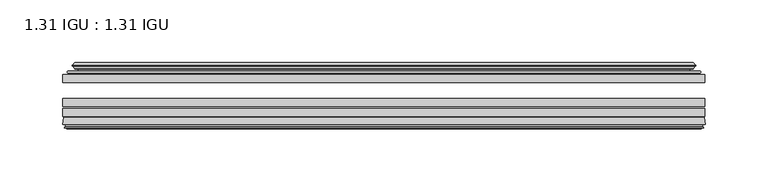
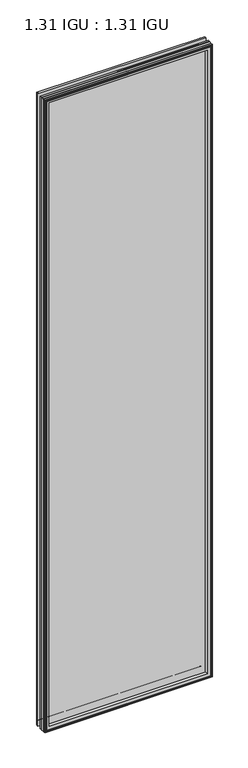
"""IFC4 building model written with IfcOpenShell, lengths in millimetres: plate geometry, 1.31 IGU : 1.31 IGU."""

from ifc_helpers import new_model, si_unit, frame, origin, place, context, project, spatial, polyline, ellipse_curve, outline, extrude, source, transform, mapped, element, save
from ifc_brep_helpers import plane_surface, cylinder_surface, revolved_surface, advanced_brep


def plate_1_31_igu_1_31_igu_6b3a8f08(model_context):
    return source(origin(), model_context, "Body", "SolidModel", [
        extrude(outline(polyline([(254.9913865, -51.7723437), (254.9913865, -58.1223438), (-255.0583333, -58.1223438), (-255.0583333, -51.7723437), (254.9913865, -51.7723437)])), frame((0.0, 0.0, -14.2875), z_axis=(0.0, 0.0, 1.0), x_axis=(1.0, 0.0, 0.0)), (0.0, 0.0, 1.0), 2025.65),
        extrude(outline(polyline([(-255.0583333, -85.4273438), (-255.0583333, -79.0773437), (254.9913865, -79.0773437), (254.9913865, -85.4273438), (-255.0583333, -85.4273438)])), frame((0.0, 0.0, -14.2875), z_axis=(0.0, 0.0, 1.0), x_axis=(1.0, 0.0, 0.0)), (0.0, 0.0, 1.0), 2025.65),
        extrude(outline(polyline([(-255.0583333, -77.1723438), (-255.0583333, -70.8223438), (254.9913865, -70.8223438), (254.9913865, -77.1723438), (-255.0583333, -77.1723438)])), frame((0.0, 0.0, -14.2875), z_axis=(0.0, 0.0, 1.0), x_axis=(1.0, 0.0, 0.0)), (0.0, 0.0, 1.0), 2025.65),
        advanced_brep(
        [(-255.0710333, -91.7773437, 2011.3752), (-254.3762495, -86.1187838, 2010.6804162), (-254.3762495, -86.1187838, -13.6054162), (-255.0710333, -91.7773437, -14.3002), (-252.6834333, -93.768408, 2008.9876), (-253.1406333, -91.7773437, 2009.4448), (-253.1406333, -91.7773437, -12.3698), (-252.6834333, -93.768408, -11.9126), (-253.6847952, -93.5000939, 2009.9889619), (-253.6847952, -93.5000939, -12.9139619), (-253.9280333, -94.407871, 2010.2322), (-253.9280333, -94.407871, -13.1572), (-251.8960333, -94.9523437, 2008.2002), (-251.8960333, -94.9523437, -11.1252), (-249.8640333, -94.407871, 2006.1682), (-249.8640333, -94.407871, -9.0932), (-250.1072715, -93.5000939, 2006.4114381), (-250.1072715, -93.5000939, -9.3364381), (-251.1086333, -93.768408, 2007.4128), (-251.1086333, -93.768408, -10.3378), (-250.6514333, -91.7773437, 2006.9556), (-250.6514333, -91.7773437, -9.8806), (-236.5818119, -85.4273437, 1992.8859786), (-240.7708333, -91.7773437, 1997.075), (-240.7708333, -91.7773437, 0.0), (-236.5818119, -85.4273437, 4.1890214), (-253.5947187, -85.4273437, 2009.8988854), (-253.5947187, -85.4273437, -12.8238854), (254.3762495, -86.1187838, -13.6054162), (255.0710333, -91.7773437, -14.3002), (253.1406333, -91.7773437, -12.3698), (252.6834333, -93.768408, -11.9126), (253.6847952, -93.5000939, -12.9139619), (253.9280333, -94.407871, -13.1572), (251.8960333, -94.9523437, -11.1252), (249.8640333, -94.407871, -9.0932), (250.1072715, -93.5000939, -9.3364381), (251.1086333, -93.768408, -10.3378), (250.6514333, -91.7773437, -9.8806), (240.7708333, -91.7773437, 0.0), (236.5818119, -85.4273437, 4.1890214), (253.5947187, -85.4273437, -12.8238854), (254.3762495, -86.1187838, 2010.6804162), (255.0710333, -91.7773437, 2011.3752), (253.1406333, -91.7773437, 2009.4448), (252.6834333, -93.768408, 2008.9876), (253.6847952, -93.5000939, 2009.9889619), (253.9280333, -94.407871, 2010.2322), (251.8960333, -94.9523437, 2008.2002), (249.8640333, -94.407871, 2006.1682), (250.1072715, -93.5000939, 2006.4114381), (251.1086333, -93.768408, 2007.4128), (250.6514333, -91.7773437, 2006.9556), (240.7708333, -91.7773437, 1997.075), (236.5818119, -85.4273437, 1992.8859786), (253.5947187, -85.4273437, 2009.8988854)],
        [
            (0, 1),
            (1, 2),
            (2, 3),
            (3, 0),
            (4, 5),
            (5, 6),
            (6, 7),
            (7, 4),
            (8, 4),
            (7, 9),
            (9, 8),
            (10, 8),
            (9, 11),
            (11, 10),
            (12, 10),
            (11, 13),
            (13, 12),
            (14, 12),
            (13, 15),
            (15, 14),
            (16, 14),
            (15, 17),
            (17, 16),
            (18, 16),
            (17, 19),
            (19, 18),
            (20, 18),
            (19, 21),
            (21, 20),
            (22, 23, ellipse_curve(frame((-233.7869394, -91.8278132, 1990.091106), z_axis=(0.7071067811865475, 0.0, 0.7071067811865475), x_axis=(0.7071067811865474, 0.0, -0.7071067811865476)), 9.8769754, 6.9840763)),
            (23, 24),
            (24, 25, ellipse_curve(frame((-233.7869394, -91.8278132, 6.983894), z_axis=(0.7071067811865475, 0.0, -0.7071067811865475), x_axis=(-0.7071067811865474, 0.0, -0.7071067811865476)), 9.8769754, 6.9840763)),
            (25, 22),
            (1, 26, ellipse_curve(frame((-253.5947187, -86.2147437, 2009.8988854), z_axis=(-0.7071067811865475, 0.0, -0.7071067811865475), x_axis=(-0.7071067811865474, 0.0, 0.7071067811865476)), 1.1135518, 0.7874)),
            (26, 27),
            (27, 2, ellipse_curve(frame((-253.5947187, -86.2147437, -12.8238854), z_axis=(-0.7071067811865475, 0.0, 0.7071067811865475), x_axis=(0.7071067811865474, 0.0, 0.7071067811865476)), 1.1135518, 0.7874)),
            (2, 28),
            (28, 29),
            (29, 3),
            (6, 30),
            (30, 31),
            (31, 7),
            (31, 32),
            (32, 9),
            (32, 33),
            (33, 11),
            (33, 34),
            (34, 13),
            (34, 35),
            (35, 15),
            (35, 36),
            (36, 17),
            (36, 37),
            (37, 19),
            (37, 38),
            (38, 21),
            (24, 39),
            (39, 40, ellipse_curve(frame((233.7869394, -91.8278132, 6.983894), z_axis=(0.7071067811865475, 0.0, 0.7071067811865475), x_axis=(0.7071067811865476, 0.0, -0.7071067811865474)), 9.8769754, 6.9840763)),
            (40, 25),
            (27, 41),
            (41, 28, ellipse_curve(frame((253.5947187, -86.2147437, -12.8238854), z_axis=(-0.7071067811865475, 0.0, -0.7071067811865475), x_axis=(-0.7071067811865476, 0.0, 0.7071067811865474)), 1.1135518, 0.7874)),
            (28, 42),
            (42, 43),
            (43, 29),
            (30, 44),
            (44, 45),
            (45, 31),
            (45, 46),
            (46, 32),
            (46, 47),
            (47, 33),
            (47, 48),
            (48, 34),
            (48, 49),
            (49, 35),
            (49, 50),
            (50, 36),
            (50, 51),
            (51, 37),
            (51, 52),
            (52, 38),
            (39, 53),
            (53, 54, ellipse_curve(frame((233.7869394, -91.8278132, 1990.091106), z_axis=(-0.7071067811865475, 0.0, 0.7071067811865475), x_axis=(0.7071067811865474, 0.0, 0.7071067811865476)), 9.8769754, 6.9840763)),
            (54, 40),
            (41, 55),
            (55, 42, ellipse_curve(frame((253.5947187, -86.2147437, 2009.8988854), z_axis=(0.7071067811865475, 0.0, -0.7071067811865475), x_axis=(-0.7071067811865474, 0.0, -0.7071067811865476)), 1.1135518, 0.7874)),
            (42, 1),
            (0, 43),
            (5, 44),
            (4, 45),
            (8, 46),
            (10, 47),
            (12, 48),
            (14, 49),
            (16, 50),
            (18, 51),
            (20, 52),
            (23, 53),
            (22, 54),
            (26, 55),
        ],
        [
            plane_surface(frame((-254.3762495, -86.1187838, 2010.6804162), z_axis=(-0.9925461516413241, 0.12186934340513104, 0.0), x_axis=(0.0, 0.0, -1.0))),
            plane_surface(frame((-253.1406333, -91.7773437, 2009.4448), z_axis=(-0.9746347637895992, -0.22380142361654512, 0.0), x_axis=(0.0, 0.0, -1.0))),
            plane_surface(frame((-252.6834333, -93.768408, 2008.9876), z_axis=(0.25881904510266784, 0.9659258262890289, 0.0), x_axis=(0.0, 0.0, -1.0))),
            plane_surface(frame((-253.6847952, -93.5000939, 2009.9889619), z_axis=(-0.9659258262890449, 0.2588190451026083, 0.0), x_axis=(0.0, 0.0, -1.0))),
            plane_surface(frame((-253.9280333, -94.407871, 2010.2322), z_axis=(-0.25881904510250453, -0.9659258262890726, 0.0), x_axis=(0.0, 0.0, -1.0))),
            plane_surface(frame((-251.8960333, -94.9523437, 2008.2002), z_axis=(0.258819045102479, -0.9659258262890795, 0.0), x_axis=(0.0, 0.0, -1.0))),
            plane_surface(frame((-249.8640333, -94.407871, 2006.1682), z_axis=(0.9659258262890272, 0.25881904510267406, 0.0), x_axis=(0.0, 0.0, -1.0))),
            plane_surface(frame((-250.1072715, -93.5000939, 2006.4114381), z_axis=(-0.25881904510234177, 0.9659258262891163, 0.0), x_axis=(0.0, 0.0, -1.0))),
            plane_surface(frame((-251.1086333, -93.768408, 2007.4128), z_axis=(0.9746347637895936, -0.22380142361656946, 0.0), x_axis=(0.0, 0.0, -1.0))),
            revolved_surface(polyline([(-240.7710157, -91.8278132, -0.00018228295266453642), (-240.7710157, -91.8278132, 1997.0751822829527)]), (-233.7869394, -91.8278132, 2028.825), (0.0, 0.0, -1.0)),
            cylinder_surface(frame((-253.5947187, -86.2147437, 2028.825), z_axis=(0.0, 0.0, 1.0), x_axis=(-1.0, 0.0, 0.0)), 0.7874),
            plane_surface(frame((-254.3762495, -86.1187838, -13.6054162), z_axis=(0.0, 0.12186934340512784, -0.9925461516413245), x_axis=(1.0, 0.0, 0.0))),
            plane_surface(frame((-253.1406333, -91.7773437, -12.3698), z_axis=(0.0, -0.22380142361654826, -0.9746347637895985), x_axis=(1.0, 0.0, 0.0))),
            plane_surface(frame((-252.6834333, -93.768408, -11.9126), z_axis=(0.0, 0.9659258262890298, 0.25881904510266474), x_axis=(1.0, 0.0, 0.0))),
            plane_surface(frame((-253.6847952, -93.5000939, -12.9139619), z_axis=(0.0, 0.25881904510260517, -0.9659258262890458), x_axis=(1.0, 0.0, 0.0))),
            plane_surface(frame((-253.9280333, -94.407871, -13.1572), z_axis=(0.0, -0.9659258262890735, -0.2588190451025014), x_axis=(1.0, 0.0, 0.0))),
            plane_surface(frame((-251.8960333, -94.9523437, -11.1252), z_axis=(0.0, -0.9659258262890786, 0.2588190451024821), x_axis=(1.0, 0.0, 0.0))),
            plane_surface(frame((-249.8640333, -94.407871, -9.0932), z_axis=(0.0, 0.2588190451026772, 0.9659258262890265), x_axis=(1.0, 0.0, 0.0))),
            plane_surface(frame((-250.1072715, -93.5000939, -9.3364381), z_axis=(0.0, 0.9659258262891154, -0.2588190451023449), x_axis=(1.0, 0.0, 0.0))),
            plane_surface(frame((-251.1086333, -93.768408, -10.3378), z_axis=(0.0, -0.22380142361656633, 0.9746347637895943), x_axis=(1.0, 0.0, 0.0))),
            revolved_surface(polyline([(240.77101568295274, -91.8278132, -0.00018229999999963553), (-240.7710156829527, -91.8278132, -0.00018229999999963553)]), (-272.5208333, -91.8278132, 6.983894), (1.0, 0.0, 0.0)),
            cylinder_surface(frame((-272.5208333, -86.2147437, -12.8238854), z_axis=(-1.0, 0.0, 0.0), x_axis=(0.0, 0.0, -1.0)), 0.7874),
            plane_surface(frame((254.3762495, -86.1187838, -13.6054162), z_axis=(0.992546151641325, 0.12186934340512463, 0.0), x_axis=(0.0, 0.0, 1.0))),
            plane_surface(frame((253.1406333, -91.7773437, -12.3698), z_axis=(0.9746347637895978, -0.22380142361655142, 0.0), x_axis=(0.0, 0.0, 1.0))),
            plane_surface(frame((252.6834333, -93.768408, -11.9126), z_axis=(-0.2588190451026616, 0.9659258262890307, 0.0), x_axis=(0.0, 0.0, 1.0))),
            plane_surface(frame((253.6847952, -93.5000939, -12.9139619), z_axis=(0.9659258262890467, 0.25881904510260206, 0.0), x_axis=(0.0, 0.0, 1.0))),
            plane_surface(frame((253.9280333, -94.407871, -13.1572), z_axis=(0.2588190451024983, -0.9659258262890744, 0.0), x_axis=(0.0, 0.0, 1.0))),
            plane_surface(frame((251.8960333, -94.9523437, -11.1252), z_axis=(-0.25881904510248527, -0.9659258262890779, 0.0), x_axis=(0.0, 0.0, 1.0))),
            plane_surface(frame((249.8640333, -94.407871, -9.0932), z_axis=(-0.9659258262890256, 0.25881904510268033, 0.0), x_axis=(0.0, 0.0, 1.0))),
            plane_surface(frame((250.1072715, -93.5000939, -9.3364381), z_axis=(0.25881904510234804, 0.9659258262891146, 0.0), x_axis=(0.0, 0.0, 1.0))),
            plane_surface(frame((251.1086333, -93.768408, -10.3378), z_axis=(-0.9746347637895951, -0.2238014236165632, 0.0), x_axis=(0.0, 0.0, 1.0))),
            revolved_surface(polyline([(240.7710157, -91.8278132, 1997.0751822829527), (240.7710157, -91.8278132, -0.0001822829527107217)]), (233.7869394, -91.8278132, -31.75), (0.0, 0.0, 1.0)),
            cylinder_surface(frame((253.5947187, -86.2147437, -31.75), z_axis=(0.0, 0.0, -1.0), x_axis=(1.0, 0.0, 0.0)), 0.7874),
            plane_surface(frame((254.3762495, -86.1187838, 2010.6804162), z_axis=(0.0, 0.12186934340512784, 0.9925461516413245), x_axis=(-1.0, 0.0, 0.0))),
            plane_surface(frame((255.0710333, -91.7773437, 2011.3752), z_axis=(0.0, -1.0, 0.0), x_axis=(-1.0, 0.0, 0.0))),
            plane_surface(frame((253.1406333, -91.7773437, 2009.4448), z_axis=(0.0, -0.22380142361654828, 0.9746347637895986), x_axis=(-1.0, 0.0, 0.0))),
            plane_surface(frame((252.6834333, -93.768408, 2008.9876), z_axis=(0.0, 0.9659258262890298, -0.25881904510266474), x_axis=(-1.0, 0.0, 0.0))),
            plane_surface(frame((253.6847952, -93.5000939, 2009.9889619), z_axis=(0.0, 0.25881904510260517, 0.9659258262890458), x_axis=(-1.0, 0.0, 0.0))),
            plane_surface(frame((253.9280333, -94.407871, 2010.2322), z_axis=(0.0, -0.9659258262890735, 0.2588190451025014), x_axis=(-1.0, 0.0, 0.0))),
            plane_surface(frame((251.8960333, -94.9523437, 2008.2002), z_axis=(0.0, -0.9659258262890787, -0.25881904510248216), x_axis=(-1.0, 0.0, 0.0))),
            plane_surface(frame((249.8640333, -94.407871, 2006.1682), z_axis=(0.0, 0.2588190451026772, -0.9659258262890265), x_axis=(-1.0, 0.0, 0.0))),
            plane_surface(frame((250.1072715, -93.5000939, 2006.4114381), z_axis=(0.0, 0.9659258262891155, 0.25881904510234494), x_axis=(-1.0, 0.0, 0.0))),
            plane_surface(frame((251.1086333, -93.768408, 2007.4128), z_axis=(0.0, -0.22380142361656633, -0.9746347637895943), x_axis=(-1.0, 0.0, 0.0))),
            plane_surface(frame((250.6514333, -91.7773437, 2006.9556), z_axis=(0.0, -1.0, 0.0), x_axis=(-1.0, 0.0, 0.0))),
            revolved_surface(polyline([(-240.77101568295274, -91.8278132, 1997.0751823), (240.7710156829527, -91.8278132, 1997.0751823)]), (272.5208333, -91.8278132, 1990.091106), (-1.0, 0.0, 0.0)),
            plane_surface(frame((236.5818119, -85.4273437, 1992.8859786), z_axis=(0.0, 1.0, 0.0), x_axis=(-1.0, 0.0, 0.0))),
            cylinder_surface(frame((272.5208333, -86.2147437, 2009.8988854), z_axis=(1.0, 0.0, 0.0), x_axis=(0.0, 0.0, 1.0)), 0.7874),
        ],
        [
            (0, [[1, 2, 3, 4]]),
            (1, [[5, 6, 7, 8]]),
            (2, [[9, -8, 10, 11]]),
            (3, [[12, -11, 13, 14]]),
            (4, [[15, -14, 16, 17]]),
            (5, [[18, -17, 19, 20]]),
            (6, [[21, -20, 22, 23]]),
            (7, [[24, -23, 25, 26]]),
            (8, [[27, -26, 28, 29]]),
            (9, [[30, 31, 32, 33]]),
            (10, [[34, 35, 36, -2]]),
            (11, [[-3, 37, 38, 39]]),
            (12, [[-7, 40, 41, 42]]),
            (13, [[-10, -42, 43, 44]]),
            (14, [[-13, -44, 45, 46]]),
            (15, [[-16, -46, 47, 48]]),
            (16, [[-19, -48, 49, 50]]),
            (17, [[-22, -50, 51, 52]]),
            (18, [[-25, -52, 53, 54]]),
            (19, [[-28, -54, 55, 56]]),
            (20, [[-32, 57, 58, 59]]),
            (21, [[-36, 60, 61, -37]]),
            (22, [[-38, 62, 63, 64]]),
            (23, [[-41, 65, 66, 67]]),
            (24, [[-43, -67, 68, 69]]),
            (25, [[-45, -69, 70, 71]]),
            (26, [[-47, -71, 72, 73]]),
            (27, [[-49, -73, 74, 75]]),
            (28, [[-51, -75, 76, 77]]),
            (29, [[-53, -77, 78, 79]]),
            (30, [[-55, -79, 80, 81]]),
            (31, [[-58, 82, 83, 84]]),
            (32, [[-61, 85, 86, -62]]),
            (33, [[-63, 87, -1, 88]]),
            (34, [[-39, -64, -88, -4], [89, -65, -40, -6]]),
            (35, [[-66, -89, -5, 90]]),
            (36, [[-68, -90, -9, 91]]),
            (37, [[-70, -91, -12, 92]]),
            (38, [[-72, -92, -15, 93]]),
            (39, [[-74, -93, -18, 94]]),
            (40, [[-76, -94, -21, 95]]),
            (41, [[-78, -95, -24, 96]]),
            (42, [[-80, -96, -27, 97]]),
            (43, [[-56, -81, -97, -29], [98, -82, -57, -31]]),
            (44, [[-83, -98, -30, 99]]),
            (45, [[100, -85, -60, -35], [-59, -84, -99, -33]]),
            (46, [[-86, -100, -34, -87]]),
        ],
    ),
        advanced_brep(
        [(-236.7231235, -50.6812421, 1993.0272902), (-237.1649337, -51.7723437, 1993.4691004), (-237.1649337, -51.7723437, 3.6058996), (-236.7231235, -50.6812421, 4.0477098), (-240.7708333, -42.9585437, 1997.075), (-240.7708333, -42.9585437, 0.0), (-245.9567442, -44.1396428, 2002.2609109), (-245.9567442, -44.1396428, -5.1859109), (-245.6271689, -43.3125262, 2001.9313356), (-245.6271689, -43.3125262, -4.8563356), (-245.6271689, -42.4982749, 2001.9313356), (-245.6271689, -42.4982749, -4.8563356), (-247.4434444, -44.4569108, 2003.7476111), (-247.4434444, -44.4569108, -6.6726111), (-247.4434444, -45.1700367, 2003.7476111), (-247.4434444, -45.1700367, -6.6726111), (-245.6271689, -47.1188911, 2001.9313356), (-245.6271689, -47.1188911, -4.8563356), (-245.6271689, -46.3144213, 2001.9313356), (-245.6271689, -46.3144213, -4.8563356), (-245.9490834, -45.5065305, 2002.2532501), (-245.9490834, -45.5065305, -5.1782501), (-243.4252712, -45.3481387, 1999.7294379), (-243.4252712, -45.3481387, -2.6544379), (-242.399455, -46.0358481, 1998.7036217), (-242.399455, -46.0358481, -1.6286217), (-242.5178622, -47.4303169, 1998.8220288), (-242.5178622, -47.4303169, -1.7470288), (-243.1196081, -48.9275437, 1999.4237748), (-243.1196081, -48.9275437, -2.3487748), (-251.0453887, -50.8359667, 2007.3495553), (-250.5597578, -48.9275437, 2006.8639245), (-250.5597578, -48.9275437, -9.7889245), (-251.0453887, -50.8359667, -10.2745553), (-249.3246488, -51.7723437, 2005.6288155), (-249.3246488, -51.7723437, -8.5538155), (237.1649337, -51.7723437, 3.6058996), (236.7231235, -50.6812421, 4.0477098), (240.7708333, -42.9585437, 0.0), (245.9567442, -44.1396428, -5.1859109), (245.6271689, -43.3125262, -4.8563356), (245.6271689, -42.4982749, -4.8563356), (247.4434444, -44.4569108, -6.6726111), (247.4434444, -45.1700367, -6.6726111), (245.6271689, -47.1188911, -4.8563356), (245.6271689, -46.3144213, -4.8563356), (245.9490834, -45.5065305, -5.1782501), (243.4252712, -45.3481387, -2.6544379), (242.399455, -46.0358481, -1.6286217), (242.5178622, -47.4303169, -1.7470288), (243.1196081, -48.9275437, -2.3487748), (250.5597578, -48.9275437, -9.7889245), (251.0453887, -50.8359667, -10.2745553), (249.3246488, -51.7723437, -8.5538155), (237.1649337, -51.7723437, 1993.4691004), (236.7231235, -50.6812421, 1993.0272902), (240.7708333, -42.9585437, 1997.075), (245.9567442, -44.1396428, 2002.2609109), (245.6271689, -43.3125262, 2001.9313356), (245.6271689, -42.4982749, 2001.9313356), (247.4434444, -44.4569108, 2003.7476111), (247.4434444, -45.1700367, 2003.7476111), (245.6271689, -47.1188911, 2001.9313356), (245.6271689, -46.3144213, 2001.9313356), (245.9490834, -45.5065305, 2002.2532501), (243.4252712, -45.3481387, 1999.7294379), (242.399455, -46.0358481, 1998.7036217), (242.5178622, -47.4303169, 1998.8220288), (243.1196081, -48.9275437, 1999.4237748), (250.5597578, -48.9275437, 2006.8639245), (251.0453887, -50.8359667, 2007.3495553), (249.3246488, -51.7723437, 2005.6288155)],
        [
            (0, 1, ellipse_curve(frame((-237.1649337, -51.1373437, 1993.4691004), z_axis=(-0.7071067811865475, 0.0, -0.7071067811865475), x_axis=(-0.7071067811865474, 0.0, 0.7071067811865476)), 0.8980256, 0.635)),
            (1, 2),
            (2, 3, ellipse_curve(frame((-237.1649337, -51.1373437, 3.6058996), z_axis=(-0.7071067811865475, 0.0, 0.7071067811865475), x_axis=(0.7071067811865474, 0.0, 0.7071067811865476)), 0.8980256, 0.635)),
            (3, 0),
            (4, 0, ellipse_curve(frame((-227.0380387, -40.6828682, 1983.3422054), z_axis=(0.7071067811865475, 0.0, 0.7071067811865475), x_axis=(0.7071067811865474, 0.0, -0.7071067811865476)), 19.6859517, 13.9200699)),
            (3, 5, ellipse_curve(frame((-227.0380387, -40.6828682, 13.7327946), z_axis=(0.7071067811865475, 0.0, -0.7071067811865475), x_axis=(-0.7071067811865474, 0.0, -0.7071067811865476)), 19.6859517, 13.9200699)),
            (5, 4),
            (6, 4),
            (5, 7),
            (7, 6),
            (8, 6),
            (7, 9),
            (9, 8),
            (10, 8),
            (9, 11),
            (11, 10),
            (12, 10),
            (11, 13),
            (13, 12),
            (14, 12, ellipse_curve(frame((-247.0816062, -44.8134737, 2003.3857729), z_axis=(-0.7071067811865475, 0.0, -0.7071067811865475), x_axis=(-0.7071067811865474, 0.0, 0.7071067811865476)), 0.7184205, 0.508)),
            (13, 15, ellipse_curve(frame((-247.0816062, -44.8134737, -6.3107729), z_axis=(-0.7071067811865475, 0.0, 0.7071067811865475), x_axis=(0.7071067811865474, 0.0, 0.7071067811865476)), 0.7184205, 0.508)),
            (15, 14),
            (16, 14),
            (15, 17),
            (17, 16),
            (18, 16),
            (17, 19),
            (19, 18),
            (20, 18),
            (19, 21),
            (21, 20),
            (22, 20),
            (21, 23),
            (23, 22),
            (24, 22, ellipse_curve(frame((-243.3616333, -46.3621437, 1999.6658), z_axis=(0.7071067811865475, 0.0, 0.7071067811865475), x_axis=(0.7071067811865474, 0.0, -0.7071067811865476)), 1.436841, 1.016)),
            (23, 25, ellipse_curve(frame((-243.3616333, -46.3621437, -2.5908), z_axis=(0.7071067811865475, 0.0, -0.7071067811865475), x_axis=(-0.7071067811865474, 0.0, -0.7071067811865476)), 1.436841, 1.016)),
            (25, 24),
            (26, 24, ellipse_curve(frame((-244.7332333, -46.5399437, 2001.0374), z_axis=(0.7071067811865475, 0.0, 0.7071067811865475), x_axis=(0.7071067811865474, 0.0, -0.7071067811865476)), 3.3765763, 2.3876)),
            (25, 27, ellipse_curve(frame((-244.7332333, -46.5399437, -3.9624), z_axis=(0.7071067811865475, 0.0, -0.7071067811865475), x_axis=(-0.7071067811865474, 0.0, -0.7071067811865476)), 3.3765763, 2.3876)),
            (27, 26),
            (28, 26),
            (27, 29),
            (29, 28),
            (30, 31, ellipse_curve(frame((-250.5597578, -49.9435437, 2006.8639245), z_axis=(-0.7071067811865475, 0.0, -0.7071067811865475), x_axis=(-0.7071067811865474, 0.0, 0.7071067811865476)), 1.436841, 1.016)),
            (31, 32),
            (32, 33, ellipse_curve(frame((-250.5597578, -49.9435437, -9.7889245), z_axis=(-0.7071067811865475, 0.0, 0.7071067811865475), x_axis=(0.7071067811865474, 0.0, 0.7071067811865476)), 1.436841, 1.016)),
            (33, 30),
            (34, 30),
            (33, 35),
            (35, 34),
            (2, 36),
            (36, 37, ellipse_curve(frame((237.1649337, -51.1373437, 3.6058996), z_axis=(-0.7071067811865475, 0.0, -0.7071067811865475), x_axis=(-0.7071067811865476, 0.0, 0.7071067811865474)), 0.8980256, 0.635)),
            (37, 3),
            (37, 38, ellipse_curve(frame((227.0380387, -40.6828682, 13.7327946), z_axis=(0.7071067811865475, 0.0, 0.7071067811865475), x_axis=(0.7071067811865476, 0.0, -0.7071067811865474)), 19.6859517, 13.9200699)),
            (38, 5),
            (38, 39),
            (39, 7),
            (39, 40),
            (40, 9),
            (40, 41),
            (41, 11),
            (41, 42),
            (42, 13),
            (42, 43, ellipse_curve(frame((247.0816062, -44.8134737, -6.3107729), z_axis=(-0.7071067811865475, 0.0, -0.7071067811865475), x_axis=(-0.7071067811865476, 0.0, 0.7071067811865474)), 0.7184205, 0.508)),
            (43, 15),
            (43, 44),
            (44, 17),
            (44, 45),
            (45, 19),
            (45, 46),
            (46, 21),
            (46, 47),
            (47, 23),
            (47, 48, ellipse_curve(frame((243.3616333, -46.3621437, -2.5908), z_axis=(0.7071067811865475, 0.0, 0.7071067811865475), x_axis=(0.7071067811865476, 0.0, -0.7071067811865474)), 1.436841, 1.016)),
            (48, 25),
            (48, 49, ellipse_curve(frame((244.7332333, -46.5399437, -3.9624), z_axis=(0.7071067811865475, 0.0, 0.7071067811865475), x_axis=(0.7071067811865476, 0.0, -0.7071067811865474)), 3.3765763, 2.3876)),
            (49, 27),
            (49, 50),
            (50, 29),
            (32, 51),
            (51, 52, ellipse_curve(frame((250.5597578, -49.9435437, -9.7889245), z_axis=(-0.7071067811865475, 0.0, -0.7071067811865475), x_axis=(-0.7071067811865476, 0.0, 0.7071067811865474)), 1.436841, 1.016)),
            (52, 33),
            (52, 53),
            (53, 35),
            (36, 54),
            (54, 55, ellipse_curve(frame((237.1649337, -51.1373437, 1993.4691004), z_axis=(0.7071067811865475, 0.0, -0.7071067811865475), x_axis=(-0.7071067811865474, 0.0, -0.7071067811865476)), 0.8980256, 0.635)),
            (55, 37),
            (55, 56, ellipse_curve(frame((227.0380387, -40.6828682, 1983.3422054), z_axis=(-0.7071067811865475, 0.0, 0.7071067811865475), x_axis=(0.7071067811865474, 0.0, 0.7071067811865476)), 19.6859517, 13.9200699)),
            (56, 38),
            (56, 57),
            (57, 39),
            (57, 58),
            (58, 40),
            (58, 59),
            (59, 41),
            (59, 60),
            (60, 42),
            (60, 61, ellipse_curve(frame((247.0816062, -44.8134737, 2003.3857729), z_axis=(0.7071067811865475, 0.0, -0.7071067811865475), x_axis=(-0.7071067811865474, 0.0, -0.7071067811865476)), 0.7184205, 0.508)),
            (61, 43),
            (61, 62),
            (62, 44),
            (62, 63),
            (63, 45),
            (63, 64),
            (64, 46),
            (64, 65),
            (65, 47),
            (65, 66, ellipse_curve(frame((243.3616333, -46.3621437, 1999.6658), z_axis=(-0.7071067811865475, 0.0, 0.7071067811865475), x_axis=(0.7071067811865474, 0.0, 0.7071067811865476)), 1.436841, 1.016)),
            (66, 48),
            (66, 67, ellipse_curve(frame((244.7332333, -46.5399437, 2001.0374), z_axis=(-0.7071067811865475, 0.0, 0.7071067811865475), x_axis=(0.7071067811865474, 0.0, 0.7071067811865476)), 3.3765763, 2.3876)),
            (67, 49),
            (67, 68),
            (68, 50),
            (51, 69),
            (69, 70, ellipse_curve(frame((250.5597578, -49.9435437, 2006.8639245), z_axis=(0.7071067811865475, 0.0, -0.7071067811865475), x_axis=(-0.7071067811865474, 0.0, -0.7071067811865476)), 1.436841, 1.016)),
            (70, 52),
            (70, 71),
            (71, 53),
            (54, 1),
            (0, 55),
            (4, 56),
            (6, 57),
            (8, 58),
            (10, 59),
            (12, 60),
            (14, 61),
            (16, 62),
            (18, 63),
            (20, 64),
            (22, 65),
            (24, 66),
            (26, 67),
            (28, 68),
            (31, 69),
            (30, 70),
            (34, 71),
        ],
        [
            cylinder_surface(frame((-237.1649337, -51.1373437, 2028.825), z_axis=(0.0, 0.0, 1.0), x_axis=(-1.0, 0.0, 0.0)), 0.635),
            revolved_surface(polyline([(-240.95810859999997, -40.6828682, -0.18727534118079348), (-240.95810859999997, -40.6828682, 1997.2622753411808)]), (-227.0380387, -40.6828682, 2028.825), (0.0, 0.0, -1.0)),
            plane_surface(frame((-240.7708333, -42.9585437, 1997.075), z_axis=(-0.22206498442778808, 0.9750318675259215, 0.0), x_axis=(0.0, 0.0, -1.0))),
            plane_surface(frame((-245.9567442, -44.1396428, 2002.2609109), z_axis=(0.9289682685629942, -0.3701593656833133, 0.0), x_axis=(0.0, 0.0, -1.0))),
            plane_surface(frame((-245.6271689, -43.3125262, 2001.9313356), z_axis=(1.0, 0.0, 0.0), x_axis=(0.0, 0.0, -1.0))),
            plane_surface(frame((-245.6271689, -42.4982749, 2001.9313356), z_axis=(-0.7332521292723948, 0.6799568478348454, 0.0), x_axis=(0.0, 0.0, -1.0))),
            cylinder_surface(frame((-247.0816062, -44.8134737, 2028.825), z_axis=(0.0, 0.0, 1.0), x_axis=(-1.0, 0.0, 0.0)), 0.508),
            plane_surface(frame((-247.4434444, -45.1700367, 2003.7476111), z_axis=(-0.7315522693036389, -0.6817853601220082, 0.0), x_axis=(0.0, 0.0, -1.0))),
            plane_surface(frame((-245.6271689, -47.1188911, 2001.9313356), z_axis=(1.0, 0.0, 0.0), x_axis=(0.0, 0.0, -1.0))),
            plane_surface(frame((-245.6271689, -46.3144213, 2001.9313356), z_axis=(0.9289682685631103, 0.37015936568302166, 0.0), x_axis=(0.0, 0.0, -1.0))),
            plane_surface(frame((-245.9490834, -45.5065305, 2002.2532501), z_axis=(0.06263570119321646, -0.9980364567169048, 0.0), x_axis=(0.0, 0.0, -1.0))),
            revolved_surface(polyline([(-244.37763329999999, -46.3621437, -3.6068000145867245), (-244.37763329999999, -46.3621437, 2000.6818000145868)]), (-243.3616333, -46.3621437, 2028.825), (0.0, 0.0, -1.0)),
            revolved_surface(polyline([(-247.1208333, -46.5399437, -6.3499999989237494), (-247.1208333, -46.5399437, 2003.4249999989238)]), (-244.7332333, -46.5399437, 2028.825), (0.0, 0.0, -1.0)),
            plane_surface(frame((-242.5178622, -47.4303169, 1998.8220288), z_axis=(-0.927865292542892, 0.3729155385530262, 0.0), x_axis=(0.0, 0.0, -1.0))),
            cylinder_surface(frame((-250.5597578, -49.9435437, 2028.825), z_axis=(0.0, 0.0, 1.0), x_axis=(-1.0, 0.0, 0.0)), 1.016),
            plane_surface(frame((-251.0453887, -50.8359667, 2007.3495553), z_axis=(-0.477983117370979, -0.8783690223979447, 0.0), x_axis=(0.0, 0.0, -1.0))),
            cylinder_surface(frame((-272.5208333, -51.1373437, 3.6058996), z_axis=(-1.0, 0.0, 0.0), x_axis=(0.0, 0.0, -1.0)), 0.635),
            revolved_surface(polyline([(240.9581086411808, -40.6828682, -0.1872752999999996), (-240.95810864118084, -40.6828682, -0.1872752999999996)]), (-272.5208333, -40.6828682, 13.7327946), (1.0, 0.0, 0.0)),
            plane_surface(frame((-240.7708333, -42.9585437, 0.0), z_axis=(0.0, 0.9750318675259209, -0.2220649844277912), x_axis=(1.0, 0.0, 0.0))),
            plane_surface(frame((-245.9567442, -44.1396428, -5.1859109), z_axis=(0.0, -0.3701593656833103, 0.9289682685629954), x_axis=(1.0, 0.0, 0.0))),
            plane_surface(frame((-245.6271689, -43.3125262, -4.8563356), z_axis=(0.0, 0.0, 1.0), x_axis=(1.0, 0.0, 0.0))),
            plane_surface(frame((-245.6271689, -42.4982749, -4.8563356), z_axis=(0.0, 0.6799568478348431, -0.733252129272397), x_axis=(1.0, 0.0, 0.0))),
            cylinder_surface(frame((-272.5208333, -44.8134737, -6.3107729), z_axis=(-1.0, 0.0, 0.0), x_axis=(0.0, 0.0, -1.0)), 0.508),
            plane_surface(frame((-247.4434444, -45.1700367, -6.6726111), z_axis=(0.0, -0.6817853601220105, -0.7315522693036367), x_axis=(1.0, 0.0, 0.0))),
            plane_surface(frame((-245.6271689, -47.1188911, -4.8563356), z_axis=(0.0, 0.0, 1.0), x_axis=(1.0, 0.0, 0.0))),
            plane_surface(frame((-245.6271689, -46.3144213, -4.8563356), z_axis=(0.0, 0.37015936568302465, 0.9289682685631091), x_axis=(1.0, 0.0, 0.0))),
            plane_surface(frame((-245.9490834, -45.5065305, -5.1782501), z_axis=(0.0, -0.9980364567169046, 0.06263570119321968), x_axis=(1.0, 0.0, 0.0))),
            revolved_surface(polyline([(244.37763331458694, -46.3621437, -3.6068000000000002), (-244.37763331458686, -46.3621437, -3.6068000000000002)]), (-272.5208333, -46.3621437, -2.5908), (1.0, 0.0, 0.0)),
            revolved_surface(polyline([(247.12083329892374, -46.5399437, -6.35), (-247.12083329892377, -46.5399437, -6.35)]), (-272.5208333, -46.5399437, -3.9624), (1.0, 0.0, 0.0)),
            plane_surface(frame((-242.5178622, -47.4303169, -1.7470288), z_axis=(0.0, 0.37291553855302323, -0.9278652925428932), x_axis=(1.0, 0.0, 0.0))),
            cylinder_surface(frame((-272.5208333, -49.9435437, -9.7889245), z_axis=(-1.0, 0.0, 0.0), x_axis=(0.0, 0.0, -1.0)), 1.016),
            plane_surface(frame((-251.0453887, -50.8359667, -10.2745553), z_axis=(0.0, -0.8783690223979462, -0.47798311737097615), x_axis=(1.0, 0.0, 0.0))),
            cylinder_surface(frame((237.1649337, -51.1373437, -31.75), z_axis=(0.0, 0.0, -1.0), x_axis=(1.0, 0.0, 0.0)), 0.635),
            revolved_surface(polyline([(240.95810859999997, -40.6828682, 1997.2622753411808), (240.95810859999997, -40.6828682, -0.1872753411808432)]), (227.0380387, -40.6828682, -31.75), (0.0, 0.0, 1.0)),
            plane_surface(frame((240.7708333, -42.9585437, 0.0), z_axis=(0.22206498442779435, 0.9750318675259202, 0.0), x_axis=(0.0, 0.0, 1.0))),
            plane_surface(frame((245.9567442, -44.1396428, -5.1859109), z_axis=(-0.9289682685629966, -0.3701593656833073, 0.0), x_axis=(0.0, 0.0, 1.0))),
            plane_surface(frame((245.6271689, -43.3125262, -4.8563356), z_axis=(-1.0, 0.0, 0.0), x_axis=(0.0, 0.0, 1.0))),
            plane_surface(frame((245.6271689, -42.4982749, -4.8563356), z_axis=(0.7332521292723992, 0.6799568478348408, 0.0), x_axis=(0.0, 0.0, 1.0))),
            cylinder_surface(frame((247.0816062, -44.8134737, -31.75), z_axis=(0.0, 0.0, -1.0), x_axis=(1.0, 0.0, 0.0)), 0.508),
            plane_surface(frame((247.4434444, -45.1700367, -6.6726111), z_axis=(0.7315522693036345, -0.6817853601220129, 0.0), x_axis=(0.0, 0.0, 1.0))),
            plane_surface(frame((245.6271689, -47.1188911, -4.8563356), z_axis=(-1.0, 0.0, 0.0), x_axis=(0.0, 0.0, 1.0))),
            plane_surface(frame((245.6271689, -46.3144213, -4.8563356), z_axis=(-0.928968268563108, 0.3701593656830277, 0.0), x_axis=(0.0, 0.0, 1.0))),
            plane_surface(frame((245.9490834, -45.5065305, -5.1782501), z_axis=(-0.0626357011932229, -0.9980364567169043, 0.0), x_axis=(0.0, 0.0, 1.0))),
            revolved_surface(polyline([(244.37763329999999, -46.3621437, 2000.6818000145868), (244.37763329999999, -46.3621437, -3.606800014586863)]), (243.3616333, -46.3621437, -31.75), (0.0, 0.0, 1.0)),
            revolved_surface(polyline([(247.1208333, -46.5399437, 2003.4249999989238), (247.1208333, -46.5399437, -6.349999998923781)]), (244.7332333, -46.5399437, -31.75), (0.0, 0.0, 1.0)),
            plane_surface(frame((242.5178622, -47.4303169, -1.7470288), z_axis=(0.9278652925428944, 0.37291553855302023, 0.0), x_axis=(0.0, 0.0, 1.0))),
            cylinder_surface(frame((250.5597578, -49.9435437, -31.75), z_axis=(0.0, 0.0, -1.0), x_axis=(1.0, 0.0, 0.0)), 1.016),
            plane_surface(frame((251.0453887, -50.8359667, -10.2745553), z_axis=(0.4779831173709733, -0.8783690223979478, 0.0), x_axis=(0.0, 0.0, 1.0))),
            cylinder_surface(frame((272.5208333, -51.1373437, 1993.4691004), z_axis=(1.0, 0.0, 0.0), x_axis=(0.0, 0.0, 1.0)), 0.635),
            revolved_surface(polyline([(-240.9581086411808, -40.6828682, 1997.2622753), (240.95810864118084, -40.6828682, 1997.2622753)]), (272.5208333, -40.6828682, 1983.3422054), (-1.0, 0.0, 0.0)),
            plane_surface(frame((240.7708333, -42.9585437, 1997.075), z_axis=(0.0, 0.9750318675259209, 0.2220649844277912), x_axis=(-1.0, 0.0, 0.0))),
            plane_surface(frame((245.9567442, -44.1396428, 2002.2609109), z_axis=(0.0, -0.3701593656833103, -0.9289682685629954), x_axis=(-1.0, 0.0, 0.0))),
            plane_surface(frame((245.6271689, -43.3125262, 2001.9313356), z_axis=(0.0, 0.0, -1.0), x_axis=(-1.0, 0.0, 0.0))),
            plane_surface(frame((245.6271689, -42.4982749, 2001.9313356), z_axis=(0.0, 0.6799568478348431, 0.733252129272397), x_axis=(-1.0, 0.0, 0.0))),
            cylinder_surface(frame((272.5208333, -44.8134737, 2003.3857729), z_axis=(1.0, 0.0, 0.0), x_axis=(0.0, 0.0, 1.0)), 0.508),
            plane_surface(frame((247.4434444, -45.1700367, 2003.7476111), z_axis=(0.0, -0.6817853601220105, 0.7315522693036367), x_axis=(-1.0, 0.0, 0.0))),
            plane_surface(frame((245.6271689, -47.1188911, 2001.9313356), z_axis=(0.0, 0.0, -1.0), x_axis=(-1.0, 0.0, 0.0))),
            plane_surface(frame((245.6271689, -46.3144213, 2001.9313356), z_axis=(0.0, 0.3701593656830247, -0.9289682685631092), x_axis=(-1.0, 0.0, 0.0))),
            plane_surface(frame((245.9490834, -45.5065305, 2002.2532501), z_axis=(0.0, -0.9980364567169046, -0.06263570119321968), x_axis=(-1.0, 0.0, 0.0))),
            revolved_surface(polyline([(-244.37763331458694, -46.3621437, 2000.6818), (244.37763331458686, -46.3621437, 2000.6818)]), (272.5208333, -46.3621437, 1999.6658), (-1.0, 0.0, 0.0)),
            revolved_surface(polyline([(-247.12083329892374, -46.5399437, 2003.425), (247.12083329892377, -46.5399437, 2003.425)]), (272.5208333, -46.5399437, 2001.0374), (-1.0, 0.0, 0.0)),
            plane_surface(frame((242.5178622, -47.4303169, 1998.8220288), z_axis=(0.0, 0.37291553855302323, 0.9278652925428932), x_axis=(-1.0, 0.0, 0.0))),
            plane_surface(frame((243.1196081, -48.9275437, 1999.4237748), z_axis=(0.0, 1.0, 0.0), x_axis=(-1.0, 0.0, 0.0))),
            cylinder_surface(frame((272.5208333, -49.9435437, 2006.8639245), z_axis=(1.0, 0.0, 0.0), x_axis=(0.0, 0.0, 1.0)), 1.016),
            plane_surface(frame((251.0453887, -50.8359667, 2007.3495553), z_axis=(0.0, -0.8783690223979462, 0.47798311737097615), x_axis=(-1.0, 0.0, 0.0))),
            plane_surface(frame((249.3246488, -51.7723437, 2005.6288155), z_axis=(0.0, -1.0, 0.0), x_axis=(-1.0, 0.0, 0.0))),
        ],
        [
            (0, [[1, 2, 3, 4]]),
            (1, [[5, -4, 6, 7]]),
            (2, [[8, -7, 9, 10]]),
            (3, [[11, -10, 12, 13]]),
            (4, [[14, -13, 15, 16]]),
            (5, [[17, -16, 18, 19]]),
            (6, [[20, -19, 21, 22]]),
            (7, [[23, -22, 24, 25]]),
            (8, [[26, -25, 27, 28]]),
            (9, [[29, -28, 30, 31]]),
            (10, [[32, -31, 33, 34]]),
            (11, [[35, -34, 36, 37]]),
            (12, [[38, -37, 39, 40]]),
            (13, [[41, -40, 42, 43]]),
            (14, [[44, 45, 46, 47]]),
            (15, [[48, -47, 49, 50]]),
            (16, [[-3, 51, 52, 53]]),
            (17, [[-6, -53, 54, 55]]),
            (18, [[-9, -55, 56, 57]]),
            (19, [[-12, -57, 58, 59]]),
            (20, [[-15, -59, 60, 61]]),
            (21, [[-18, -61, 62, 63]]),
            (22, [[-21, -63, 64, 65]]),
            (23, [[-24, -65, 66, 67]]),
            (24, [[-27, -67, 68, 69]]),
            (25, [[-30, -69, 70, 71]]),
            (26, [[-33, -71, 72, 73]]),
            (27, [[-36, -73, 74, 75]]),
            (28, [[-39, -75, 76, 77]]),
            (29, [[-42, -77, 78, 79]]),
            (30, [[-46, 80, 81, 82]]),
            (31, [[-49, -82, 83, 84]]),
            (32, [[-52, 85, 86, 87]]),
            (33, [[-54, -87, 88, 89]]),
            (34, [[-56, -89, 90, 91]]),
            (35, [[-58, -91, 92, 93]]),
            (36, [[-60, -93, 94, 95]]),
            (37, [[-62, -95, 96, 97]]),
            (38, [[-64, -97, 98, 99]]),
            (39, [[-66, -99, 100, 101]]),
            (40, [[-68, -101, 102, 103]]),
            (41, [[-70, -103, 104, 105]]),
            (42, [[-72, -105, 106, 107]]),
            (43, [[-74, -107, 108, 109]]),
            (44, [[-76, -109, 110, 111]]),
            (45, [[-78, -111, 112, 113]]),
            (46, [[-81, 114, 115, 116]]),
            (47, [[-83, -116, 117, 118]]),
            (48, [[-86, 119, -1, 120]]),
            (49, [[-88, -120, -5, 121]]),
            (50, [[-90, -121, -8, 122]]),
            (51, [[-92, -122, -11, 123]]),
            (52, [[-94, -123, -14, 124]]),
            (53, [[-96, -124, -17, 125]]),
            (54, [[-98, -125, -20, 126]]),
            (55, [[-100, -126, -23, 127]]),
            (56, [[-102, -127, -26, 128]]),
            (57, [[-104, -128, -29, 129]]),
            (58, [[-106, -129, -32, 130]]),
            (59, [[-108, -130, -35, 131]]),
            (60, [[-110, -131, -38, 132]]),
            (61, [[-112, -132, -41, 133]]),
            (62, [[134, -114, -80, -45], [-79, -113, -133, -43]]),
            (63, [[-115, -134, -44, 135]]),
            (64, [[-117, -135, -48, 136]]),
            (65, [[-84, -118, -136, -50], [-119, -85, -51, -2]]),
        ],
    ),
    ])


if __name__ == "__main__":
    model = new_model("IFC4")
    model_context = context("Model", 3, world=origin())
    ifc_project = project(units=[si_unit("LENGTHUNIT", "METRE", prefix="MILLI")], contexts=[model_context])
    site = spatial("IfcSite", under=ifc_project)
    building = spatial("IfcBuilding", under=site)
    placement = place(None, origin())
    plate_1_31_igu_1_31_igu_shape = plate_1_31_igu_1_31_igu_6b3a8f08(model_context)
    element("IfcPlate", 1, ObjectType="1.31 IGU : 1.31 IGU", at=placement, inside=building, context=model_context, shape_type="MappedRepresentation", body=[
        mapped(plate_1_31_igu_1_31_igu_shape, transform((0.0, 0.0, 0.0), x_axis=(1.0, 0.0, 0.0), y_axis=(0.0, 1.0, 0.0), z_axis=(0.0, 0.0, 1.0))),
    ])
    save(model, "model.ifc")
